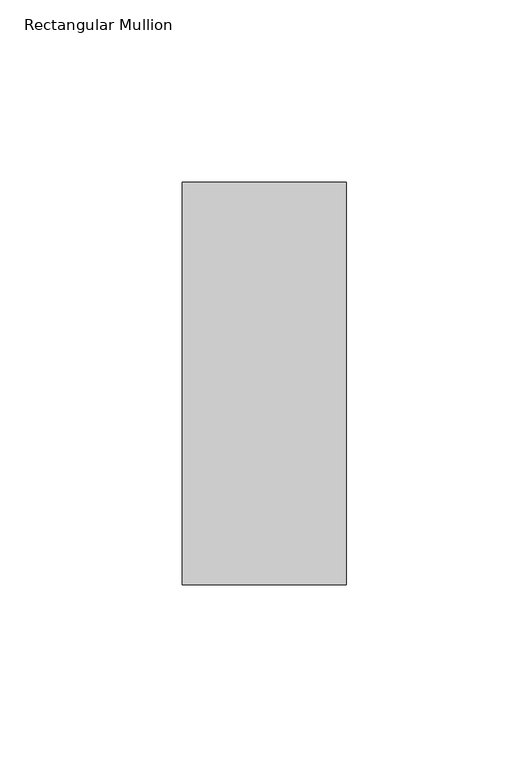
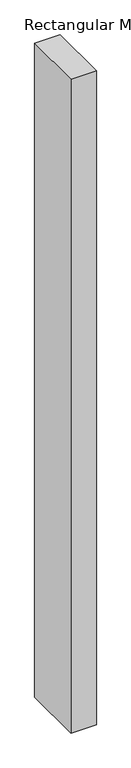
"""IFC4 building model written with IfcOpenShell, lengths in millimetres: member geometry, Rectangular Mullion."""

from ifc_helpers import new_model, si_unit, frame, origin, place, context, project, spatial, polyline, outline, extrude, source, transform, mapped, element, save


def rectangular_mullion_f6f167c4(model_context):
    return source(origin(), model_context, "Body", "SweptSolid", [
        extrude(outline(polyline([(-45.0, -70.7), (-45.0, 39.7), (0.0, 39.7), (0.0, -70.7), (-45.0, -70.7)])), frame((0.0, 0.0, -1219.2), z_axis=(0.0, 0.0, 1.0), x_axis=(1.0, 0.0, 0.0)), (0.0, 0.0, 1.0), 1219.2),
    ])


if __name__ == "__main__":
    model = new_model("IFC4")
    model_context = context("Model", 3, world=origin())
    ifc_project = project(units=[si_unit("LENGTHUNIT", "METRE", prefix="MILLI")], contexts=[model_context])
    site = spatial("IfcSite", under=ifc_project)
    building = spatial("IfcBuilding", under=site)
    placement = place(None, origin())
    rectangular_mullion_shape = rectangular_mullion_f6f167c4(model_context)
    element("IfcMember", 1, ObjectType="Rectangular Mullion", at=placement, inside=building, context=model_context, shape_type="MappedRepresentation", body=[
        mapped(rectangular_mullion_shape, transform((0.0, 0.0, 0.0), x_axis=(1.0, 0.0, 0.0), y_axis=(0.0, 1.0, 0.0), z_axis=(0.0, 0.0, 1.0))),
    ])
    save(model, "model.ifc")
